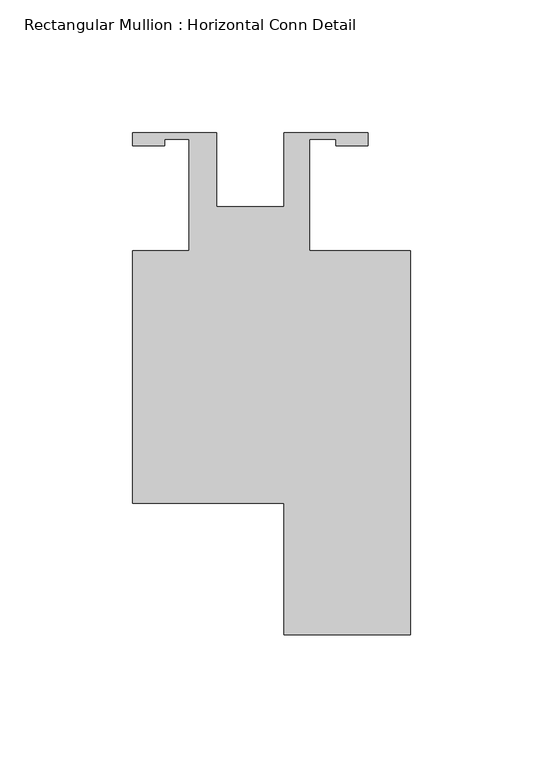
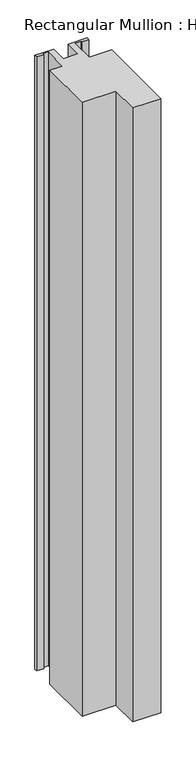
"""IFC4 building model written with IfcOpenShell, lengths in millimetres: member geometry, Rectangular Mullion : Horizontal Conn Detail."""

from ifc_helpers import new_model, si_unit, frame, origin, place, context, project, spatial, polyline, outline, extrude, source, transform, mapped, element, save


def rectangular_mullion_horizontal_conn_detail_34fb260d(model_context):
    return source(origin(), model_context, "Body", "SweptSolid", [
        extrude(outline(polyline([(-44.45, -19.05), (-23.1902, -19.05), (-23.1902, 22.9299069), (-32.3676573, 22.9299069), (-32.3676573, 20.5232), (-44.45, 20.5232), (-44.45, 25.4), (-12.7, 25.4), (-12.7, -2.54), (12.7, -2.54), (12.7, 25.4), (44.45, 25.4), (44.45, 20.5232), (32.3596, 20.5232), (32.3596, 22.86), (22.225, 22.86), (22.225, -19.05), (60.325, -19.05), (60.325, -163.9062), (12.7, -163.9062), (12.7, -114.3), (-44.45, -114.3), (-44.45, -19.05)])), frame((0.0, 0.0, -1104.9), z_axis=(0.0, 0.0, 1.0), x_axis=(1.0, 0.0, 0.0)), (0.0, 0.0, 1.0), 1104.9),
    ])


if __name__ == "__main__":
    model = new_model("IFC4")
    model_context = context("Model", 3, world=origin())
    ifc_project = project(units=[si_unit("LENGTHUNIT", "METRE", prefix="MILLI")], contexts=[model_context])
    site = spatial("IfcSite", under=ifc_project)
    building = spatial("IfcBuilding", under=site)
    placement = place(None, origin())
    rectangular_mullion_horizontal_conn_detail_shape = rectangular_mullion_horizontal_conn_detail_34fb260d(model_context)
    element("IfcMember", 1, ObjectType="Rectangular Mullion : Horizontal Conn Detail", at=placement, inside=building, context=model_context, shape_type="MappedRepresentation", body=[
        mapped(rectangular_mullion_horizontal_conn_detail_shape, transform((0.0, 0.0, 0.0), x_axis=(1.0, 0.0, 0.0), y_axis=(0.0, 1.0, 0.0), z_axis=(0.0, 0.0, 1.0))),
    ])
    save(model, "model.ifc")
